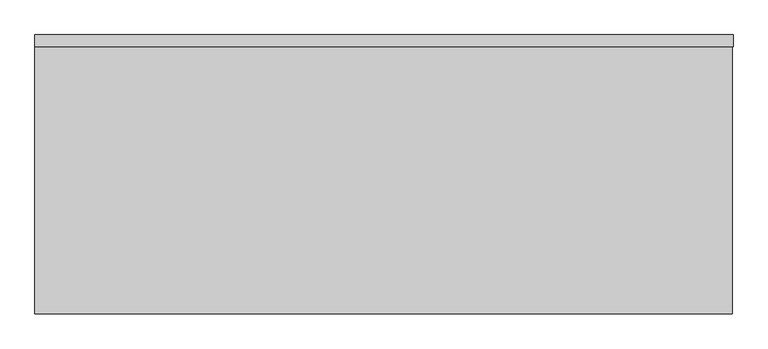
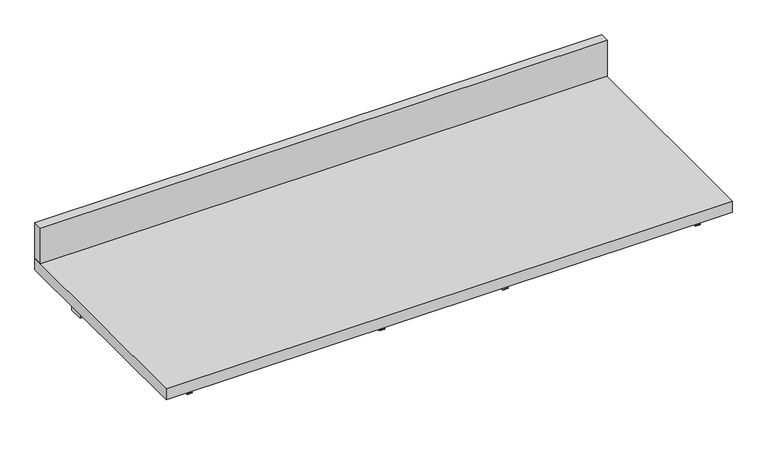
"""IFC4 building model written with IfcOpenShell, lengths in millimetres: furniture geometry."""

from ifc_helpers import new_model, si_unit, frame, origin, place, context, project, spatial, polyline, outline, extrude, source, transform, mapped, element, save


def furniture_9e0e4860(model_context):
    return source(origin(), model_context, "Body", "SweptSolid", [
        extrude(outline(polyline([(1217.6125, 177.8), (1217.6125, -431.8), (-303.2125, -431.8), (-303.2125, 177.8), (1217.6125, 177.8)])), frame((0.0, 0.0, 904.875), z_axis=(0.0, 0.0, 1.0), x_axis=(1.0, 0.0, 0.0)), (0.0, 0.0, 1.0), 31.75),
        extrude(outline(polyline([(1184.275, 63.5), (1184.275, 25.4), (-269.875, 25.4), (-269.875, 63.5), (1184.275, 63.5)])), frame((0.0, 0.0, 847.725), z_axis=(0.0, 0.0, 1.0), x_axis=(1.0, 0.0, 0.0)), (0.0, 0.0, 1.0), 57.15),
        extrude(outline(polyline([(1219.2, 177.8), (1219.2, 152.4), (-303.2125, 152.4), (-303.2125, 177.8), (1219.2, 177.8)])), frame((0.0, 0.0, 936.625), z_axis=(0.0, 0.0, 1.0), x_axis=(1.0, 0.0, 0.0)), (0.0, 0.0, 1.0), 101.6),
        extrude(outline(polyline([(881.0625, 617.5375), (904.875, 617.5375), (904.875, 615.95), (879.475, 615.95), (879.475, 630.2375), (881.0625, 630.2375), (881.0625, 617.5375)])), frame((0.0, -406.4, 0.0), z_axis=(0.0, 1.0, 0.0), x_axis=(0.0, 0.0, 1.0)), (0.0, 0.0, 1.0), 390.525),
        extrude(outline(polyline([(881.0625, 296.8625), (881.0625, 284.1625), (879.475, 284.1625), (879.475, 298.45), (904.875, 298.45), (904.875, 296.8625), (881.0625, 296.8625)])), frame((0.0, -406.4, 0.0), z_axis=(0.0, 1.0, 0.0), x_axis=(0.0, 0.0, 1.0)), (0.0, 0.0, 1.0), 390.525),
        extrude(outline(polyline([(881.0625, -230.1875), (904.875, -230.1875), (904.875, -231.775), (879.475, -231.775), (879.475, -217.4875), (881.0625, -217.4875), (881.0625, -230.1875)])), frame((0.0, -406.4, 0.0), z_axis=(0.0, 1.0, 0.0), x_axis=(0.0, 0.0, 1.0)), (0.0, 0.0, 1.0), 390.525),
        extrude(outline(polyline([(881.0625, 1144.5875), (881.0625, 1131.8875), (879.475, 1131.8875), (879.475, 1146.175), (904.875, 1146.175), (904.875, 1144.5875), (881.0625, 1144.5875)])), frame((0.0, -406.4, 0.0), z_axis=(0.0, 1.0, 0.0), x_axis=(0.0, 0.0, 1.0)), (0.0, 0.0, 1.0), 390.525),
    ])


if __name__ == "__main__":
    model = new_model("IFC4")
    model_context = context("Model", 3, world=origin())
    ifc_project = project(units=[si_unit("LENGTHUNIT", "METRE", prefix="MILLI")], contexts=[model_context])
    site = spatial("IfcSite", under=ifc_project)
    building = spatial("IfcBuilding", under=site)
    placement = place(None, origin())
    furniture_shape = furniture_9e0e4860(model_context)
    element("IfcFurniture", 1, at=placement, inside=building, context=model_context, shape_type="MappedRepresentation", body=[
        mapped(furniture_shape, transform((0.0, 0.0, 0.0), x_axis=(1.0, 0.0, 0.0), y_axis=(0.0, 1.0, 0.0), z_axis=(0.0, 0.0, 1.0))),
    ])
    save(model, "model.ifc")
